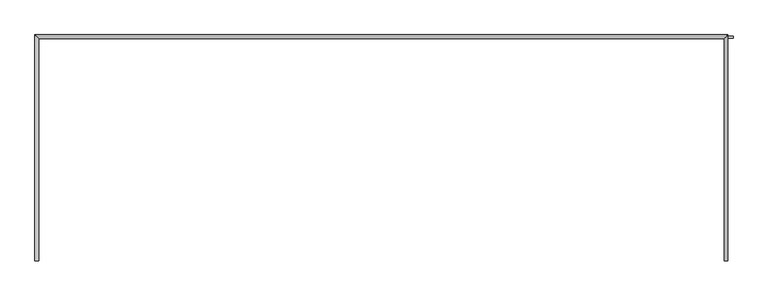
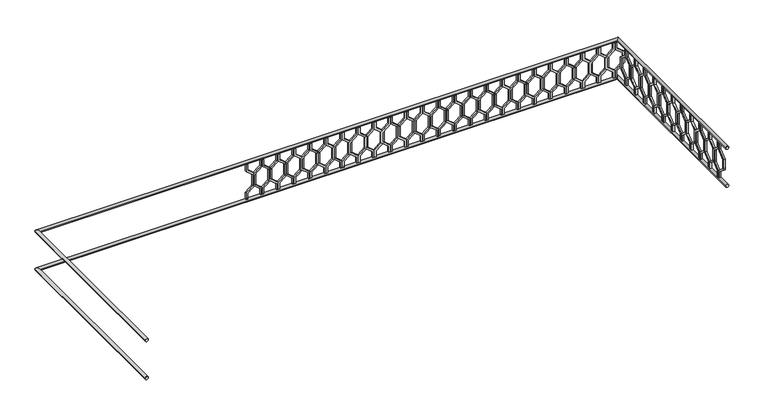
"""IFC4 building model written with IfcOpenShell, lengths in millimetres: railing geometry."""

from ifc_helpers import new_model, si_unit, frame, origin, place, context, project, spatial, polyline, circle_curve, ellipse_curve, outline, extrude, source, transform, mapped, element, save
from ifc_brep_helpers import plane_surface, cylinder_surface, advanced_brep


def railing_d88cfda0(model_context):
    return source(origin(), model_context, "Body", "SolidModel", [
        advanced_brep(
        [(42360.0112841, 903.1079487, 4980.0), (42320.0112841, 903.1079487, 4980.0), (42320.0112841, 3283.1079487, 4980.0), (42360.0112841, 3243.1079487, 4980.0), (49600.0112841, 3283.1079487, 4980.0), (49560.0112841, 3243.1079487, 4980.0), (49560.0112841, 903.1079487, 4980.0), (49600.0112841, 903.1079487, 4980.0)],
        [
            (0, 1, circle_curve(frame((42340.0112841, 903.1079487, 4980.0), z_axis=(0.0, -1.0, 0.0), x_axis=(-1.0, 0.0, 0.0)), 20.0)),
            (1, 0, circle_curve(frame((42340.0112841, 903.1079487, 4980.0), z_axis=(0.0, -1.0, 0.0), x_axis=(-1.0, 0.0, 0.0)), 20.0)),
            (1, 2),
            (2, 3, ellipse_curve(frame((42340.0112841, 3263.1079487, 4980.0), z_axis=(-0.7071067811865475, -0.7071067811865476, 0.0), x_axis=(0.7071067811865476, -0.7071067811865475, 0.0)), 28.2842712, 20.0)),
            (3, 0),
            (3, 2, ellipse_curve(frame((42340.0112841, 3263.1079487, 4980.0), z_axis=(-0.7071067811865475, -0.7071067811865476, 0.0), x_axis=(0.7071067811865476, -0.7071067811865475, 0.0)), 28.2842712, 20.0)),
            (2, 4),
            (4, 5, ellipse_curve(frame((49580.0112841, 3263.1079487, 4980.0), z_axis=(-0.7071067811865481, 0.7071067811865469, 0.0), x_axis=(-0.7071067811865469, -0.7071067811865481, 0.0)), 28.2842712, 20.0)),
            (5, 3),
            (5, 4, ellipse_curve(frame((49580.0112841, 3263.1079487, 4980.0), z_axis=(-0.7071067811865481, 0.7071067811865469, 0.0), x_axis=(-0.7071067811865469, -0.7071067811865481, 0.0)), 28.2842712, 20.0)),
            (6, 7, circle_curve(frame((49580.0112841, 903.1079487, 4980.0), z_axis=(0.0, -1.0, 0.0), x_axis=(1.0, 0.0, 0.0)), 20.0)),
            (7, 6, circle_curve(frame((49580.0112841, 903.1079487, 4980.0), z_axis=(0.0, -1.0, 0.0), x_axis=(1.0, 0.0, 0.0)), 20.0)),
            (4, 7),
            (6, 5),
        ],
        [
            plane_surface(frame((42340.0112841, 903.1079487, 5000.0), z_axis=(0.0, -1.0, 0.0), x_axis=(0.0, 0.0, 1.0))),
            cylinder_surface(frame((42340.0112841, 903.1079487, 4980.0), z_axis=(0.0, -1.0, 0.0), x_axis=(-1.0, 0.0, 0.0)), 20.0),
            cylinder_surface(frame((42340.0112841, 3263.1079487, 4980.0), z_axis=(-1.0, 0.0, 0.0), x_axis=(0.0, 1.0, 0.0)), 20.0),
            plane_surface(frame((49580.0112841, 903.1079487, 5000.0), z_axis=(0.0, -1.0, 0.0), x_axis=(0.0, 0.0, -1.0))),
            cylinder_surface(frame((49580.0112841, 3263.1079487, 4980.0), z_axis=(0.0, 1.0, 0.0), x_axis=(1.0, 0.0, 0.0)), 20.0),
        ],
        [
            (0, [[1, 2]]),
            (1, [[-2, 3, 4, 5]]),
            (1, [[-1, -5, 6, -3]]),
            (2, [[-4, 7, 8, 9]]),
            (2, [[-6, -9, 10, -7]]),
            (3, [[11, 12]]),
            (4, [[-8, 13, -11, 14]]),
            (4, [[-10, -14, -12, -13]]),
        ],
    ),
        advanced_brep(
        [(42360.0112841, 903.1079487, 4480.0), (42320.0112841, 903.1079487, 4480.0), (42320.0112841, 3283.1079487, 4480.0), (42360.0112841, 3243.1079487, 4480.0), (49600.0112841, 3283.1079487, 4480.0), (49560.0112841, 3243.1079487, 4480.0), (49560.0112841, 903.1079487, 4480.0), (49600.0112841, 903.1079487, 4480.0)],
        [
            (0, 1, circle_curve(frame((42340.0112841, 903.1079487, 4480.0), z_axis=(0.0, -1.0, 0.0), x_axis=(-1.0, 0.0, 0.0)), 20.0)),
            (1, 0, circle_curve(frame((42340.0112841, 903.1079487, 4480.0), z_axis=(0.0, -1.0, 0.0), x_axis=(-1.0, 0.0, 0.0)), 20.0)),
            (1, 2),
            (2, 3, ellipse_curve(frame((42340.0112841, 3263.1079487, 4480.0), z_axis=(-0.7071067811865475, -0.7071067811865476, 0.0), x_axis=(0.7071067811865476, -0.7071067811865475, 0.0)), 28.2842712, 20.0)),
            (3, 0),
            (3, 2, ellipse_curve(frame((42340.0112841, 3263.1079487, 4480.0), z_axis=(-0.7071067811865475, -0.7071067811865476, 0.0), x_axis=(0.7071067811865476, -0.7071067811865475, 0.0)), 28.2842712, 20.0)),
            (2, 4),
            (4, 5, ellipse_curve(frame((49580.0112841, 3263.1079487, 4480.0), z_axis=(-0.7071067811865481, 0.7071067811865469, 0.0), x_axis=(-0.7071067811865469, -0.7071067811865481, 0.0)), 28.2842712, 20.0)),
            (5, 3),
            (5, 4, ellipse_curve(frame((49580.0112841, 3263.1079487, 4480.0), z_axis=(-0.7071067811865481, 0.7071067811865469, 0.0), x_axis=(-0.7071067811865469, -0.7071067811865481, 0.0)), 28.2842712, 20.0)),
            (6, 7, circle_curve(frame((49580.0112841, 903.1079487, 4480.0), z_axis=(0.0, -1.0, 0.0), x_axis=(1.0, 0.0, 0.0)), 20.0)),
            (7, 6, circle_curve(frame((49580.0112841, 903.1079487, 4480.0), z_axis=(0.0, -1.0, 0.0), x_axis=(1.0, 0.0, 0.0)), 20.0)),
            (4, 7),
            (6, 5),
        ],
        [
            plane_surface(frame((42340.0112841, 903.1079487, 4500.0), z_axis=(0.0, -1.0, 0.0), x_axis=(0.0, 0.0, 1.0))),
            cylinder_surface(frame((42340.0112841, 903.1079487, 4480.0), z_axis=(0.0, -1.0, 0.0), x_axis=(-1.0, 0.0, 0.0)), 20.0),
            cylinder_surface(frame((42340.0112841, 3263.1079487, 4480.0), z_axis=(-1.0, 0.0, 0.0), x_axis=(0.0, 1.0, 0.0)), 20.0),
            plane_surface(frame((49580.0112841, 903.1079487, 4500.0), z_axis=(0.0, -1.0, 0.0), x_axis=(0.0, 0.0, -1.0))),
            cylinder_surface(frame((49580.0112841, 3263.1079487, 4480.0), z_axis=(0.0, 1.0, 0.0), x_axis=(1.0, 0.0, 0.0)), 20.0),
        ],
        [
            (0, [[1, 2]]),
            (1, [[-2, 3, 4, 5]]),
            (1, [[-1, -5, 6, -3]]),
            (2, [[-4, 7, 8, 9]]),
            (2, [[-6, -9, 10, -7]]),
            (3, [[11, 12]]),
            (4, [[-8, 13, -11, 14]]),
            (4, [[-10, -14, -12, -13]]),
        ],
    ),
        extrude(outline(polyline([(1068.1079487, 4960.0), (1068.1079487, 4870.448155), (969.1129993, 4790.448155), (969.1129993, 4669.551845), (1068.1079487, 4589.551845), (1068.1079487, 4500.0), (1048.1079487, 4500.0), (1048.1079487, 4580.0), (949.1129993, 4660.0), (949.1129993, 4800.0), (1048.1079487, 4880.0), (1048.1079487, 4960.0), (1068.1079487, 4960.0)])), frame((49565.0112841, 0.0, 0.0), z_axis=(1.0, 0.0, 0.0), x_axis=(0.0, 1.0, 0.0)), (0.0, 0.0, 1.0), 20.0),
        extrude(outline(polyline([(1068.1079487, 4960.0), (1088.1079487, 4960.0), (1088.1079487, 4880.0), (1187.102898, 4800.0), (1187.102898, 4660.0), (1088.1079487, 4580.0), (1088.1079487, 4500.0), (1068.1079487, 4500.0), (1068.1079487, 4589.551845), (1167.102898, 4669.551845), (1167.102898, 4790.448155), (1068.1079487, 4870.448155), (1068.1079487, 4960.0)])), frame((49565.0112841, 0.0, 0.0), z_axis=(1.0, 0.0, 0.0), x_axis=(0.0, 1.0, 0.0)), (0.0, 0.0, 1.0), 20.0),
        extrude(outline(polyline([(1268.1079487, 4960.0), (1268.1079487, 4870.448155), (1169.1129993, 4790.448155), (1169.1129993, 4669.551845), (1268.1079487, 4589.551845), (1268.1079487, 4500.0), (1248.1079487, 4500.0), (1248.1079487, 4580.0), (1149.1129993, 4660.0), (1149.1129993, 4800.0), (1248.1079487, 4880.0), (1248.1079487, 4960.0), (1268.1079487, 4960.0)])), frame((49565.0112841, 0.0, 0.0), z_axis=(1.0, 0.0, 0.0), x_axis=(0.0, 1.0, 0.0)), (0.0, 0.0, 1.0), 20.0),
        extrude(outline(polyline([(1268.1079487, 4960.0), (1288.1079487, 4960.0), (1288.1079487, 4880.0), (1387.102898, 4800.0), (1387.102898, 4660.0), (1288.1079487, 4580.0), (1288.1079487, 4500.0), (1268.1079487, 4500.0), (1268.1079487, 4589.551845), (1367.102898, 4669.551845), (1367.102898, 4790.448155), (1268.1079487, 4870.448155), (1268.1079487, 4960.0)])), frame((49565.0112841, 0.0, 0.0), z_axis=(1.0, 0.0, 0.0), x_axis=(0.0, 1.0, 0.0)), (0.0, 0.0, 1.0), 20.0),
        extrude(outline(polyline([(1468.1079487, 4960.0), (1468.1079487, 4870.448155), (1369.1129993, 4790.448155), (1369.1129993, 4669.551845), (1468.1079487, 4589.551845), (1468.1079487, 4500.0), (1448.1079487, 4500.0), (1448.1079487, 4580.0), (1349.1129993, 4660.0), (1349.1129993, 4800.0), (1448.1079487, 4880.0), (1448.1079487, 4960.0), (1468.1079487, 4960.0)])), frame((49565.0112841, 0.0, 0.0), z_axis=(1.0, 0.0, 0.0), x_axis=(0.0, 1.0, 0.0)), (0.0, 0.0, 1.0), 20.0),
        extrude(outline(polyline([(1468.1079487, 4960.0), (1488.1079487, 4960.0), (1488.1079487, 4880.0), (1587.102898, 4800.0), (1587.102898, 4660.0), (1488.1079487, 4580.0), (1488.1079487, 4500.0), (1468.1079487, 4500.0), (1468.1079487, 4589.551845), (1567.102898, 4669.551845), (1567.102898, 4790.448155), (1468.1079487, 4870.448155), (1468.1079487, 4960.0)])), frame((49565.0112841, 0.0, 0.0), z_axis=(1.0, 0.0, 0.0), x_axis=(0.0, 1.0, 0.0)), (0.0, 0.0, 1.0), 20.0),
        extrude(outline(polyline([(1668.1079487, 4960.0), (1668.1079487, 4870.448155), (1569.1129993, 4790.448155), (1569.1129993, 4669.551845), (1668.1079487, 4589.551845), (1668.1079487, 4500.0), (1648.1079487, 4500.0), (1648.1079487, 4580.0), (1549.1129993, 4660.0), (1549.1129993, 4800.0), (1648.1079487, 4880.0), (1648.1079487, 4960.0), (1668.1079487, 4960.0)])), frame((49565.0112841, 0.0, 0.0), z_axis=(1.0, 0.0, 0.0), x_axis=(0.0, 1.0, 0.0)), (0.0, 0.0, 1.0), 20.0),
        extrude(outline(polyline([(1668.1079487, 4960.0), (1688.1079487, 4960.0), (1688.1079487, 4880.0), (1787.102898, 4800.0), (1787.102898, 4660.0), (1688.1079487, 4580.0), (1688.1079487, 4500.0), (1668.1079487, 4500.0), (1668.1079487, 4589.551845), (1767.102898, 4669.551845), (1767.102898, 4790.448155), (1668.1079487, 4870.448155), (1668.1079487, 4960.0)])), frame((49565.0112841, 0.0, 0.0), z_axis=(1.0, 0.0, 0.0), x_axis=(0.0, 1.0, 0.0)), (0.0, 0.0, 1.0), 20.0),
        extrude(outline(polyline([(1868.1079487, 4960.0), (1868.1079487, 4870.448155), (1769.1129993, 4790.448155), (1769.1129993, 4669.551845), (1868.1079487, 4589.551845), (1868.1079487, 4500.0), (1848.1079487, 4500.0), (1848.1079487, 4580.0), (1749.1129993, 4660.0), (1749.1129993, 4800.0), (1848.1079487, 4880.0), (1848.1079487, 4960.0), (1868.1079487, 4960.0)])), frame((49565.0112841, 0.0, 0.0), z_axis=(1.0, 0.0, 0.0), x_axis=(0.0, 1.0, 0.0)), (0.0, 0.0, 1.0), 20.0),
        extrude(outline(polyline([(1868.1079487, 4960.0), (1888.1079487, 4960.0), (1888.1079487, 4880.0), (1987.102898, 4800.0), (1987.102898, 4660.0), (1888.1079487, 4580.0), (1888.1079487, 4500.0), (1868.1079487, 4500.0), (1868.1079487, 4589.551845), (1967.102898, 4669.551845), (1967.102898, 4790.448155), (1868.1079487, 4870.448155), (1868.1079487, 4960.0)])), frame((49565.0112841, 0.0, 0.0), z_axis=(1.0, 0.0, 0.0), x_axis=(0.0, 1.0, 0.0)), (0.0, 0.0, 1.0), 20.0),
        extrude(outline(polyline([(2068.1079487, 4960.0), (2068.1079487, 4870.448155), (1969.1129993, 4790.448155), (1969.1129993, 4669.551845), (2068.1079487, 4589.551845), (2068.1079487, 4500.0), (2048.1079487, 4500.0), (2048.1079487, 4580.0), (1949.1129993, 4660.0), (1949.1129993, 4800.0), (2048.1079487, 4880.0), (2048.1079487, 4960.0), (2068.1079487, 4960.0)])), frame((49565.0112841, 0.0, 0.0), z_axis=(1.0, 0.0, 0.0), x_axis=(0.0, 1.0, 0.0)), (0.0, 0.0, 1.0), 20.0),
        extrude(outline(polyline([(2068.1079487, 4960.0), (2088.1079487, 4960.0), (2088.1079487, 4880.0), (2187.102898, 4800.0), (2187.102898, 4660.0), (2088.1079487, 4580.0), (2088.1079487, 4500.0), (2068.1079487, 4500.0), (2068.1079487, 4589.551845), (2167.102898, 4669.551845), (2167.102898, 4790.448155), (2068.1079487, 4870.448155), (2068.1079487, 4960.0)])), frame((49565.0112841, 0.0, 0.0), z_axis=(1.0, 0.0, 0.0), x_axis=(0.0, 1.0, 0.0)), (0.0, 0.0, 1.0), 20.0),
        extrude(outline(polyline([(2268.1079487, 4960.0), (2268.1079487, 4870.448155), (2169.1129993, 4790.448155), (2169.1129993, 4669.551845), (2268.1079487, 4589.551845), (2268.1079487, 4500.0), (2248.1079487, 4500.0), (2248.1079487, 4580.0), (2149.1129993, 4660.0), (2149.1129993, 4800.0), (2248.1079487, 4880.0), (2248.1079487, 4960.0), (2268.1079487, 4960.0)])), frame((49565.0112841, 0.0, 0.0), z_axis=(1.0, 0.0, 0.0), x_axis=(0.0, 1.0, 0.0)), (0.0, 0.0, 1.0), 20.0),
        extrude(outline(polyline([(2268.1079487, 4960.0), (2288.1079487, 4960.0), (2288.1079487, 4880.0), (2387.102898, 4800.0), (2387.102898, 4660.0), (2288.1079487, 4580.0), (2288.1079487, 4500.0), (2268.1079487, 4500.0), (2268.1079487, 4589.551845), (2367.102898, 4669.551845), (2367.102898, 4790.448155), (2268.1079487, 4870.448155), (2268.1079487, 4960.0)])), frame((49565.0112841, 0.0, 0.0), z_axis=(1.0, 0.0, 0.0), x_axis=(0.0, 1.0, 0.0)), (0.0, 0.0, 1.0), 20.0),
        extrude(outline(polyline([(2468.1079487, 4960.0), (2468.1079487, 4870.448155), (2369.1129993, 4790.448155), (2369.1129993, 4669.551845), (2468.1079487, 4589.551845), (2468.1079487, 4500.0), (2448.1079487, 4500.0), (2448.1079487, 4580.0), (2349.1129993, 4660.0), (2349.1129993, 4800.0), (2448.1079487, 4880.0), (2448.1079487, 4960.0), (2468.1079487, 4960.0)])), frame((49565.0112841, 0.0, 0.0), z_axis=(1.0, 0.0, 0.0), x_axis=(0.0, 1.0, 0.0)), (0.0, 0.0, 1.0), 20.0),
        extrude(outline(polyline([(2468.1079487, 4960.0), (2488.1079487, 4960.0), (2488.1079487, 4880.0), (2587.102898, 4800.0), (2587.102898, 4660.0), (2488.1079487, 4580.0), (2488.1079487, 4500.0), (2468.1079487, 4500.0), (2468.1079487, 4589.551845), (2567.102898, 4669.551845), (2567.102898, 4790.448155), (2468.1079487, 4870.448155), (2468.1079487, 4960.0)])), frame((49565.0112841, 0.0, 0.0), z_axis=(1.0, 0.0, 0.0), x_axis=(0.0, 1.0, 0.0)), (0.0, 0.0, 1.0), 20.0),
        extrude(outline(polyline([(2668.1079487, 4960.0), (2668.1079487, 4870.448155), (2569.1129993, 4790.448155), (2569.1129993, 4669.551845), (2668.1079487, 4589.551845), (2668.1079487, 4500.0), (2648.1079487, 4500.0), (2648.1079487, 4580.0), (2549.1129993, 4660.0), (2549.1129993, 4800.0), (2648.1079487, 4880.0), (2648.1079487, 4960.0), (2668.1079487, 4960.0)])), frame((49565.0112841, 0.0, 0.0), z_axis=(1.0, 0.0, 0.0), x_axis=(0.0, 1.0, 0.0)), (0.0, 0.0, 1.0), 20.0),
        extrude(outline(polyline([(2668.1079487, 4960.0), (2688.1079487, 4960.0), (2688.1079487, 4880.0), (2787.102898, 4800.0), (2787.102898, 4660.0), (2688.1079487, 4580.0), (2688.1079487, 4500.0), (2668.1079487, 4500.0), (2668.1079487, 4589.551845), (2767.102898, 4669.551845), (2767.102898, 4790.448155), (2668.1079487, 4870.448155), (2668.1079487, 4960.0)])), frame((49565.0112841, 0.0, 0.0), z_axis=(1.0, 0.0, 0.0), x_axis=(0.0, 1.0, 0.0)), (0.0, 0.0, 1.0), 20.0),
        extrude(outline(polyline([(2868.1079487, 4960.0), (2868.1079487, 4870.448155), (2769.1129993, 4790.448155), (2769.1129993, 4669.551845), (2868.1079487, 4589.551845), (2868.1079487, 4500.0), (2848.1079487, 4500.0), (2848.1079487, 4580.0), (2749.1129993, 4660.0), (2749.1129993, 4800.0), (2848.1079487, 4880.0), (2848.1079487, 4960.0), (2868.1079487, 4960.0)])), frame((49565.0112841, 0.0, 0.0), z_axis=(1.0, 0.0, 0.0), x_axis=(0.0, 1.0, 0.0)), (0.0, 0.0, 1.0), 20.0),
        extrude(outline(polyline([(2868.1079487, 4960.0), (2888.1079487, 4960.0), (2888.1079487, 4880.0), (2987.102898, 4800.0), (2987.102898, 4660.0), (2888.1079487, 4580.0), (2888.1079487, 4500.0), (2868.1079487, 4500.0), (2868.1079487, 4589.551845), (2967.102898, 4669.551845), (2967.102898, 4790.448155), (2868.1079487, 4870.448155), (2868.1079487, 4960.0)])), frame((49565.0112841, 0.0, 0.0), z_axis=(1.0, 0.0, 0.0), x_axis=(0.0, 1.0, 0.0)), (0.0, 0.0, 1.0), 20.0),
        extrude(outline(polyline([(3068.1079487, 4960.0), (3068.1079487, 4870.448155), (2969.1129993, 4790.448155), (2969.1129993, 4669.551845), (3068.1079487, 4589.551845), (3068.1079487, 4500.0), (3048.1079487, 4500.0), (3048.1079487, 4580.0), (2949.1129993, 4660.0), (2949.1129993, 4800.0), (3048.1079487, 4880.0), (3048.1079487, 4960.0), (3068.1079487, 4960.0)])), frame((49565.0112841, 0.0, 0.0), z_axis=(1.0, 0.0, 0.0), x_axis=(0.0, 1.0, 0.0)), (0.0, 0.0, 1.0), 20.0),
        extrude(outline(polyline([(3068.1079487, 4960.0), (3088.1079487, 4960.0), (3088.1079487, 4880.0), (3187.102898, 4800.0), (3187.102898, 4660.0), (3088.1079487, 4580.0), (3088.1079487, 4500.0), (3068.1079487, 4500.0), (3068.1079487, 4589.551845), (3167.102898, 4669.551845), (3167.102898, 4790.448155), (3068.1079487, 4870.448155), (3068.1079487, 4960.0)])), frame((49565.0112841, 0.0, 0.0), z_axis=(1.0, 0.0, 0.0), x_axis=(0.0, 1.0, 0.0)), (0.0, 0.0, 1.0), 20.0),
        extrude(outline(polyline([(4960.0, 49535.0112841), (4870.448155, 49535.0112841), (4790.448155, 49634.0062335), (4669.551845, 49634.0062335), (4589.551845, 49535.0112841), (4500.0, 49535.0112841), (4500.0, 49555.0112841), (4580.0, 49555.0112841), (4660.0, 49654.0062335), (4800.0, 49654.0062335), (4880.0, 49555.0112841), (4960.0, 49555.0112841), (4960.0, 49535.0112841)])), frame((0.0, 3248.1079487, 0.0), z_axis=(0.0, 1.0, 0.0), x_axis=(0.0, 0.0, 1.0)), (0.0, 0.0, 1.0), 20.0),
        extrude(outline(polyline([(4960.0, 49535.0112841), (4960.0, 49515.0112841), (4880.0, 49515.0112841), (4800.0, 49416.0163347), (4660.0, 49416.0163347), (4580.0, 49515.0112841), (4500.0, 49515.0112841), (4500.0, 49535.0112841), (4589.551845, 49535.0112841), (4669.551845, 49436.0163347), (4790.448155, 49436.0163347), (4870.448155, 49535.0112841), (4960.0, 49535.0112841)])), frame((0.0, 3248.1079487, 0.0), z_axis=(0.0, 1.0, 0.0), x_axis=(0.0, 0.0, 1.0)), (0.0, 0.0, 1.0), 20.0),
        extrude(outline(polyline([(4960.0, 49335.0112841), (4870.448155, 49335.0112841), (4790.448155, 49434.0062335), (4669.551845, 49434.0062335), (4589.551845, 49335.0112841), (4500.0, 49335.0112841), (4500.0, 49355.0112841), (4580.0, 49355.0112841), (4660.0, 49454.0062335), (4800.0, 49454.0062335), (4880.0, 49355.0112841), (4960.0, 49355.0112841), (4960.0, 49335.0112841)])), frame((0.0, 3248.1079487, 0.0), z_axis=(0.0, 1.0, 0.0), x_axis=(0.0, 0.0, 1.0)), (0.0, 0.0, 1.0), 20.0),
        extrude(outline(polyline([(4960.0, 49335.0112841), (4960.0, 49315.0112841), (4880.0, 49315.0112841), (4800.0, 49216.0163347), (4660.0, 49216.0163347), (4580.0, 49315.0112841), (4500.0, 49315.0112841), (4500.0, 49335.0112841), (4589.551845, 49335.0112841), (4669.551845, 49236.0163347), (4790.448155, 49236.0163347), (4870.448155, 49335.0112841), (4960.0, 49335.0112841)])), frame((0.0, 3248.1079487, 0.0), z_axis=(0.0, 1.0, 0.0), x_axis=(0.0, 0.0, 1.0)), (0.0, 0.0, 1.0), 20.0),
        extrude(outline(polyline([(4960.0, 49135.0112841), (4870.448155, 49135.0112841), (4790.448155, 49234.0062335), (4669.551845, 49234.0062335), (4589.551845, 49135.0112841), (4500.0, 49135.0112841), (4500.0, 49155.0112841), (4580.0, 49155.0112841), (4660.0, 49254.0062335), (4800.0, 49254.0062335), (4880.0, 49155.0112841), (4960.0, 49155.0112841), (4960.0, 49135.0112841)])), frame((0.0, 3248.1079487, 0.0), z_axis=(0.0, 1.0, 0.0), x_axis=(0.0, 0.0, 1.0)), (0.0, 0.0, 1.0), 20.0),
        extrude(outline(polyline([(4960.0, 49135.0112841), (4960.0, 49115.0112841), (4880.0, 49115.0112841), (4800.0, 49016.0163347), (4660.0, 49016.0163347), (4580.0, 49115.0112841), (4500.0, 49115.0112841), (4500.0, 49135.0112841), (4589.551845, 49135.0112841), (4669.551845, 49036.0163347), (4790.448155, 49036.0163347), (4870.448155, 49135.0112841), (4960.0, 49135.0112841)])), frame((0.0, 3248.1079487, 0.0), z_axis=(0.0, 1.0, 0.0), x_axis=(0.0, 0.0, 1.0)), (0.0, 0.0, 1.0), 20.0),
        extrude(outline(polyline([(4960.0, 48935.0112841), (4870.448155, 48935.0112841), (4790.448155, 49034.0062335), (4669.551845, 49034.0062335), (4589.551845, 48935.0112841), (4500.0, 48935.0112841), (4500.0, 48955.0112841), (4580.0, 48955.0112841), (4660.0, 49054.0062335), (4800.0, 49054.0062335), (4880.0, 48955.0112841), (4960.0, 48955.0112841), (4960.0, 48935.0112841)])), frame((0.0, 3248.1079487, 0.0), z_axis=(0.0, 1.0, 0.0), x_axis=(0.0, 0.0, 1.0)), (0.0, 0.0, 1.0), 20.0),
        extrude(outline(polyline([(4960.0, 48935.0112841), (4960.0, 48915.0112841), (4880.0, 48915.0112841), (4800.0, 48816.0163347), (4660.0, 48816.0163347), (4580.0, 48915.0112841), (4500.0, 48915.0112841), (4500.0, 48935.0112841), (4589.551845, 48935.0112841), (4669.551845, 48836.0163347), (4790.448155, 48836.0163347), (4870.448155, 48935.0112841), (4960.0, 48935.0112841)])), frame((0.0, 3248.1079487, 0.0), z_axis=(0.0, 1.0, 0.0), x_axis=(0.0, 0.0, 1.0)), (0.0, 0.0, 1.0), 20.0),
        extrude(outline(polyline([(4960.0, 48735.0112841), (4870.448155, 48735.0112841), (4790.448155, 48834.0062335), (4669.551845, 48834.0062335), (4589.551845, 48735.0112841), (4500.0, 48735.0112841), (4500.0, 48755.0112841), (4580.0, 48755.0112841), (4660.0, 48854.0062335), (4800.0, 48854.0062335), (4880.0, 48755.0112841), (4960.0, 48755.0112841), (4960.0, 48735.0112841)])), frame((0.0, 3248.1079487, 0.0), z_axis=(0.0, 1.0, 0.0), x_axis=(0.0, 0.0, 1.0)), (0.0, 0.0, 1.0), 20.0),
        extrude(outline(polyline([(4960.0, 48735.0112841), (4960.0, 48715.0112841), (4880.0, 48715.0112841), (4800.0, 48616.0163347), (4660.0, 48616.0163347), (4580.0, 48715.0112841), (4500.0, 48715.0112841), (4500.0, 48735.0112841), (4589.551845, 48735.0112841), (4669.551845, 48636.0163347), (4790.448155, 48636.0163347), (4870.448155, 48735.0112841), (4960.0, 48735.0112841)])), frame((0.0, 3248.1079487, 0.0), z_axis=(0.0, 1.0, 0.0), x_axis=(0.0, 0.0, 1.0)), (0.0, 0.0, 1.0), 20.0),
        extrude(outline(polyline([(4960.0, 48535.0112841), (4870.448155, 48535.0112841), (4790.448155, 48634.0062335), (4669.551845, 48634.0062335), (4589.551845, 48535.0112841), (4500.0, 48535.0112841), (4500.0, 48555.0112841), (4580.0, 48555.0112841), (4660.0, 48654.0062335), (4800.0, 48654.0062335), (4880.0, 48555.0112841), (4960.0, 48555.0112841), (4960.0, 48535.0112841)])), frame((0.0, 3248.1079487, 0.0), z_axis=(0.0, 1.0, 0.0), x_axis=(0.0, 0.0, 1.0)), (0.0, 0.0, 1.0), 20.0),
        extrude(outline(polyline([(4960.0, 48535.0112841), (4960.0, 48515.0112841), (4880.0, 48515.0112841), (4800.0, 48416.0163347), (4660.0, 48416.0163347), (4580.0, 48515.0112841), (4500.0, 48515.0112841), (4500.0, 48535.0112841), (4589.551845, 48535.0112841), (4669.551845, 48436.0163347), (4790.448155, 48436.0163347), (4870.448155, 48535.0112841), (4960.0, 48535.0112841)])), frame((0.0, 3248.1079487, 0.0), z_axis=(0.0, 1.0, 0.0), x_axis=(0.0, 0.0, 1.0)), (0.0, 0.0, 1.0), 20.0),
        extrude(outline(polyline([(4960.0, 48335.0112841), (4870.448155, 48335.0112841), (4790.448155, 48434.0062335), (4669.551845, 48434.0062335), (4589.551845, 48335.0112841), (4500.0, 48335.0112841), (4500.0, 48355.0112841), (4580.0, 48355.0112841), (4660.0, 48454.0062335), (4800.0, 48454.0062335), (4880.0, 48355.0112841), (4960.0, 48355.0112841), (4960.0, 48335.0112841)])), frame((0.0, 3248.1079487, 0.0), z_axis=(0.0, 1.0, 0.0), x_axis=(0.0, 0.0, 1.0)), (0.0, 0.0, 1.0), 20.0),
        extrude(outline(polyline([(4960.0, 48335.0112841), (4960.0, 48315.0112841), (4880.0, 48315.0112841), (4800.0, 48216.0163347), (4660.0, 48216.0163347), (4580.0, 48315.0112841), (4500.0, 48315.0112841), (4500.0, 48335.0112841), (4589.551845, 48335.0112841), (4669.551845, 48236.0163347), (4790.448155, 48236.0163347), (4870.448155, 48335.0112841), (4960.0, 48335.0112841)])), frame((0.0, 3248.1079487, 0.0), z_axis=(0.0, 1.0, 0.0), x_axis=(0.0, 0.0, 1.0)), (0.0, 0.0, 1.0), 20.0),
        extrude(outline(polyline([(4960.0, 48135.0112841), (4870.448155, 48135.0112841), (4790.448155, 48234.0062335), (4669.551845, 48234.0062335), (4589.551845, 48135.0112841), (4500.0, 48135.0112841), (4500.0, 48155.0112841), (4580.0, 48155.0112841), (4660.0, 48254.0062335), (4800.0, 48254.0062335), (4880.0, 48155.0112841), (4960.0, 48155.0112841), (4960.0, 48135.0112841)])), frame((0.0, 3248.1079487, 0.0), z_axis=(0.0, 1.0, 0.0), x_axis=(0.0, 0.0, 1.0)), (0.0, 0.0, 1.0), 20.0),
        extrude(outline(polyline([(4960.0, 48135.0112841), (4960.0, 48115.0112841), (4880.0, 48115.0112841), (4800.0, 48016.0163347), (4660.0, 48016.0163347), (4580.0, 48115.0112841), (4500.0, 48115.0112841), (4500.0, 48135.0112841), (4589.551845, 48135.0112841), (4669.551845, 48036.0163347), (4790.448155, 48036.0163347), (4870.448155, 48135.0112841), (4960.0, 48135.0112841)])), frame((0.0, 3248.1079487, 0.0), z_axis=(0.0, 1.0, 0.0), x_axis=(0.0, 0.0, 1.0)), (0.0, 0.0, 1.0), 20.0),
        extrude(outline(polyline([(4960.0, 47935.0112841), (4870.448155, 47935.0112841), (4790.448155, 48034.0062335), (4669.551845, 48034.0062335), (4589.551845, 47935.0112841), (4500.0, 47935.0112841), (4500.0, 47955.0112841), (4580.0, 47955.0112841), (4660.0, 48054.0062335), (4800.0, 48054.0062335), (4880.0, 47955.0112841), (4960.0, 47955.0112841), (4960.0, 47935.0112841)])), frame((0.0, 3248.1079487, 0.0), z_axis=(0.0, 1.0, 0.0), x_axis=(0.0, 0.0, 1.0)), (0.0, 0.0, 1.0), 20.0),
        extrude(outline(polyline([(4960.0, 47935.0112841), (4960.0, 47915.0112841), (4880.0, 47915.0112841), (4800.0, 47816.0163347), (4660.0, 47816.0163347), (4580.0, 47915.0112841), (4500.0, 47915.0112841), (4500.0, 47935.0112841), (4589.551845, 47935.0112841), (4669.551845, 47836.0163347), (4790.448155, 47836.0163347), (4870.448155, 47935.0112841), (4960.0, 47935.0112841)])), frame((0.0, 3248.1079487, 0.0), z_axis=(0.0, 1.0, 0.0), x_axis=(0.0, 0.0, 1.0)), (0.0, 0.0, 1.0), 20.0),
        extrude(outline(polyline([(4960.0, 47735.0112841), (4870.448155, 47735.0112841), (4790.448155, 47834.0062335), (4669.551845, 47834.0062335), (4589.551845, 47735.0112841), (4500.0, 47735.0112841), (4500.0, 47755.0112841), (4580.0, 47755.0112841), (4660.0, 47854.0062335), (4800.0, 47854.0062335), (4880.0, 47755.0112841), (4960.0, 47755.0112841), (4960.0, 47735.0112841)])), frame((0.0, 3248.1079487, 0.0), z_axis=(0.0, 1.0, 0.0), x_axis=(0.0, 0.0, 1.0)), (0.0, 0.0, 1.0), 20.0),
        extrude(outline(polyline([(4960.0, 47735.0112841), (4960.0, 47715.0112841), (4880.0, 47715.0112841), (4800.0, 47616.0163347), (4660.0, 47616.0163347), (4580.0, 47715.0112841), (4500.0, 47715.0112841), (4500.0, 47735.0112841), (4589.551845, 47735.0112841), (4669.551845, 47636.0163347), (4790.448155, 47636.0163347), (4870.448155, 47735.0112841), (4960.0, 47735.0112841)])), frame((0.0, 3248.1079487, 0.0), z_axis=(0.0, 1.0, 0.0), x_axis=(0.0, 0.0, 1.0)), (0.0, 0.0, 1.0), 20.0),
        extrude(outline(polyline([(4960.0, 47535.0112841), (4870.448155, 47535.0112841), (4790.448155, 47634.0062335), (4669.551845, 47634.0062335), (4589.551845, 47535.0112841), (4500.0, 47535.0112841), (4500.0, 47555.0112841), (4580.0, 47555.0112841), (4660.0, 47654.0062335), (4800.0, 47654.0062335), (4880.0, 47555.0112841), (4960.0, 47555.0112841), (4960.0, 47535.0112841)])), frame((0.0, 3248.1079487, 0.0), z_axis=(0.0, 1.0, 0.0), x_axis=(0.0, 0.0, 1.0)), (0.0, 0.0, 1.0), 20.0),
        extrude(outline(polyline([(4960.0, 47535.0112841), (4960.0, 47515.0112841), (4880.0, 47515.0112841), (4800.0, 47416.0163347), (4660.0, 47416.0163347), (4580.0, 47515.0112841), (4500.0, 47515.0112841), (4500.0, 47535.0112841), (4589.551845, 47535.0112841), (4669.551845, 47436.0163347), (4790.448155, 47436.0163347), (4870.448155, 47535.0112841), (4960.0, 47535.0112841)])), frame((0.0, 3248.1079487, 0.0), z_axis=(0.0, 1.0, 0.0), x_axis=(0.0, 0.0, 1.0)), (0.0, 0.0, 1.0), 20.0),
        extrude(outline(polyline([(4960.0, 47335.0112841), (4870.448155, 47335.0112841), (4790.448155, 47434.0062335), (4669.551845, 47434.0062335), (4589.551845, 47335.0112841), (4500.0, 47335.0112841), (4500.0, 47355.0112841), (4580.0, 47355.0112841), (4660.0, 47454.0062335), (4800.0, 47454.0062335), (4880.0, 47355.0112841), (4960.0, 47355.0112841), (4960.0, 47335.0112841)])), frame((0.0, 3248.1079487, 0.0), z_axis=(0.0, 1.0, 0.0), x_axis=(0.0, 0.0, 1.0)), (0.0, 0.0, 1.0), 20.0),
        extrude(outline(polyline([(4960.0, 47335.0112841), (4960.0, 47315.0112841), (4880.0, 47315.0112841), (4800.0, 47216.0163347), (4660.0, 47216.0163347), (4580.0, 47315.0112841), (4500.0, 47315.0112841), (4500.0, 47335.0112841), (4589.551845, 47335.0112841), (4669.551845, 47236.0163347), (4790.448155, 47236.0163347), (4870.448155, 47335.0112841), (4960.0, 47335.0112841)])), frame((0.0, 3248.1079487, 0.0), z_axis=(0.0, 1.0, 0.0), x_axis=(0.0, 0.0, 1.0)), (0.0, 0.0, 1.0), 20.0),
        extrude(outline(polyline([(4960.0, 47135.0112841), (4870.448155, 47135.0112841), (4790.448155, 47234.0062335), (4669.551845, 47234.0062335), (4589.551845, 47135.0112841), (4500.0, 47135.0112841), (4500.0, 47155.0112841), (4580.0, 47155.0112841), (4660.0, 47254.0062335), (4800.0, 47254.0062335), (4880.0, 47155.0112841), (4960.0, 47155.0112841), (4960.0, 47135.0112841)])), frame((0.0, 3248.1079487, 0.0), z_axis=(0.0, 1.0, 0.0), x_axis=(0.0, 0.0, 1.0)), (0.0, 0.0, 1.0), 20.0),
        extrude(outline(polyline([(4960.0, 47135.0112841), (4960.0, 47115.0112841), (4880.0, 47115.0112841), (4800.0, 47016.0163347), (4660.0, 47016.0163347), (4580.0, 47115.0112841), (4500.0, 47115.0112841), (4500.0, 47135.0112841), (4589.551845, 47135.0112841), (4669.551845, 47036.0163347), (4790.448155, 47036.0163347), (4870.448155, 47135.0112841), (4960.0, 47135.0112841)])), frame((0.0, 3248.1079487, 0.0), z_axis=(0.0, 1.0, 0.0), x_axis=(0.0, 0.0, 1.0)), (0.0, 0.0, 1.0), 20.0),
        extrude(outline(polyline([(4960.0, 46935.0112841), (4870.448155, 46935.0112841), (4790.448155, 47034.0062335), (4669.551845, 47034.0062335), (4589.551845, 46935.0112841), (4500.0, 46935.0112841), (4500.0, 46955.0112841), (4580.0, 46955.0112841), (4660.0, 47054.0062335), (4800.0, 47054.0062335), (4880.0, 46955.0112841), (4960.0, 46955.0112841), (4960.0, 46935.0112841)])), frame((0.0, 3248.1079487, 0.0), z_axis=(0.0, 1.0, 0.0), x_axis=(0.0, 0.0, 1.0)), (0.0, 0.0, 1.0), 20.0),
        extrude(outline(polyline([(4960.0, 46935.0112841), (4960.0, 46915.0112841), (4880.0, 46915.0112841), (4800.0, 46816.0163347), (4660.0, 46816.0163347), (4580.0, 46915.0112841), (4500.0, 46915.0112841), (4500.0, 46935.0112841), (4589.551845, 46935.0112841), (4669.551845, 46836.0163347), (4790.448155, 46836.0163347), (4870.448155, 46935.0112841), (4960.0, 46935.0112841)])), frame((0.0, 3248.1079487, 0.0), z_axis=(0.0, 1.0, 0.0), x_axis=(0.0, 0.0, 1.0)), (0.0, 0.0, 1.0), 20.0),
        extrude(outline(polyline([(4960.0, 46735.0112841), (4870.448155, 46735.0112841), (4790.448155, 46834.0062335), (4669.551845, 46834.0062335), (4589.551845, 46735.0112841), (4500.0, 46735.0112841), (4500.0, 46755.0112841), (4580.0, 46755.0112841), (4660.0, 46854.0062335), (4800.0, 46854.0062335), (4880.0, 46755.0112841), (4960.0, 46755.0112841), (4960.0, 46735.0112841)])), frame((0.0, 3248.1079487, 0.0), z_axis=(0.0, 1.0, 0.0), x_axis=(0.0, 0.0, 1.0)), (0.0, 0.0, 1.0), 20.0),
        extrude(outline(polyline([(4960.0, 46735.0112841), (4960.0, 46715.0112841), (4880.0, 46715.0112841), (4800.0, 46616.0163347), (4660.0, 46616.0163347), (4580.0, 46715.0112841), (4500.0, 46715.0112841), (4500.0, 46735.0112841), (4589.551845, 46735.0112841), (4669.551845, 46636.0163347), (4790.448155, 46636.0163347), (4870.448155, 46735.0112841), (4960.0, 46735.0112841)])), frame((0.0, 3248.1079487, 0.0), z_axis=(0.0, 1.0, 0.0), x_axis=(0.0, 0.0, 1.0)), (0.0, 0.0, 1.0), 20.0),
        extrude(outline(polyline([(4960.0, 46535.0112841), (4870.448155, 46535.0112841), (4790.448155, 46634.0062335), (4669.551845, 46634.0062335), (4589.551845, 46535.0112841), (4500.0, 46535.0112841), (4500.0, 46555.0112841), (4580.0, 46555.0112841), (4660.0, 46654.0062335), (4800.0, 46654.0062335), (4880.0, 46555.0112841), (4960.0, 46555.0112841), (4960.0, 46535.0112841)])), frame((0.0, 3248.1079487, 0.0), z_axis=(0.0, 1.0, 0.0), x_axis=(0.0, 0.0, 1.0)), (0.0, 0.0, 1.0), 20.0),
        extrude(outline(polyline([(4960.0, 46535.0112841), (4960.0, 46515.0112841), (4880.0, 46515.0112841), (4800.0, 46416.0163347), (4660.0, 46416.0163347), (4580.0, 46515.0112841), (4500.0, 46515.0112841), (4500.0, 46535.0112841), (4589.551845, 46535.0112841), (4669.551845, 46436.0163347), (4790.448155, 46436.0163347), (4870.448155, 46535.0112841), (4960.0, 46535.0112841)])), frame((0.0, 3248.1079487, 0.0), z_axis=(0.0, 1.0, 0.0), x_axis=(0.0, 0.0, 1.0)), (0.0, 0.0, 1.0), 20.0),
        extrude(outline(polyline([(4960.0, 46335.0112841), (4870.448155, 46335.0112841), (4790.448155, 46434.0062335), (4669.551845, 46434.0062335), (4589.551845, 46335.0112841), (4500.0, 46335.0112841), (4500.0, 46355.0112841), (4580.0, 46355.0112841), (4660.0, 46454.0062335), (4800.0, 46454.0062335), (4880.0, 46355.0112841), (4960.0, 46355.0112841), (4960.0, 46335.0112841)])), frame((0.0, 3248.1079487, 0.0), z_axis=(0.0, 1.0, 0.0), x_axis=(0.0, 0.0, 1.0)), (0.0, 0.0, 1.0), 20.0),
        extrude(outline(polyline([(4960.0, 46335.0112841), (4960.0, 46315.0112841), (4880.0, 46315.0112841), (4800.0, 46216.0163347), (4660.0, 46216.0163347), (4580.0, 46315.0112841), (4500.0, 46315.0112841), (4500.0, 46335.0112841), (4589.551845, 46335.0112841), (4669.551845, 46236.0163347), (4790.448155, 46236.0163347), (4870.448155, 46335.0112841), (4960.0, 46335.0112841)])), frame((0.0, 3248.1079487, 0.0), z_axis=(0.0, 1.0, 0.0), x_axis=(0.0, 0.0, 1.0)), (0.0, 0.0, 1.0), 20.0),
        extrude(outline(polyline([(4960.0, 46135.0112841), (4870.448155, 46135.0112841), (4790.448155, 46234.0062335), (4669.551845, 46234.0062335), (4589.551845, 46135.0112841), (4500.0, 46135.0112841), (4500.0, 46155.0112841), (4580.0, 46155.0112841), (4660.0, 46254.0062335), (4800.0, 46254.0062335), (4880.0, 46155.0112841), (4960.0, 46155.0112841), (4960.0, 46135.0112841)])), frame((0.0, 3248.1079487, 0.0), z_axis=(0.0, 1.0, 0.0), x_axis=(0.0, 0.0, 1.0)), (0.0, 0.0, 1.0), 20.0),
        extrude(outline(polyline([(4960.0, 46135.0112841), (4960.0, 46115.0112841), (4880.0, 46115.0112841), (4800.0, 46016.0163347), (4660.0, 46016.0163347), (4580.0, 46115.0112841), (4500.0, 46115.0112841), (4500.0, 46135.0112841), (4589.551845, 46135.0112841), (4669.551845, 46036.0163347), (4790.448155, 46036.0163347), (4870.448155, 46135.0112841), (4960.0, 46135.0112841)])), frame((0.0, 3248.1079487, 0.0), z_axis=(0.0, 1.0, 0.0), x_axis=(0.0, 0.0, 1.0)), (0.0, 0.0, 1.0), 20.0),
        extrude(outline(polyline([(4960.0, 45935.0112841), (4870.448155, 45935.0112841), (4790.448155, 46034.0062335), (4669.551845, 46034.0062335), (4589.551845, 45935.0112841), (4500.0, 45935.0112841), (4500.0, 45955.0112841), (4580.0, 45955.0112841), (4660.0, 46054.0062335), (4800.0, 46054.0062335), (4880.0, 45955.0112841), (4960.0, 45955.0112841), (4960.0, 45935.0112841)])), frame((0.0, 3248.1079487, 0.0), z_axis=(0.0, 1.0, 0.0), x_axis=(0.0, 0.0, 1.0)), (0.0, 0.0, 1.0), 20.0),
        extrude(outline(polyline([(4960.0, 45935.0112841), (4960.0, 45915.0112841), (4880.0, 45915.0112841), (4800.0, 45816.0163347), (4660.0, 45816.0163347), (4580.0, 45915.0112841), (4500.0, 45915.0112841), (4500.0, 45935.0112841), (4589.551845, 45935.0112841), (4669.551845, 45836.0163347), (4790.448155, 45836.0163347), (4870.448155, 45935.0112841), (4960.0, 45935.0112841)])), frame((0.0, 3248.1079487, 0.0), z_axis=(0.0, 1.0, 0.0), x_axis=(0.0, 0.0, 1.0)), (0.0, 0.0, 1.0), 20.0),
        extrude(outline(polyline([(4960.0, 45735.0112841), (4870.448155, 45735.0112841), (4790.448155, 45834.0062335), (4669.551845, 45834.0062335), (4589.551845, 45735.0112841), (4500.0, 45735.0112841), (4500.0, 45755.0112841), (4580.0, 45755.0112841), (4660.0, 45854.0062335), (4800.0, 45854.0062335), (4880.0, 45755.0112841), (4960.0, 45755.0112841), (4960.0, 45735.0112841)])), frame((0.0, 3248.1079487, 0.0), z_axis=(0.0, 1.0, 0.0), x_axis=(0.0, 0.0, 1.0)), (0.0, 0.0, 1.0), 20.0),
        extrude(outline(polyline([(4960.0, 45735.0112841), (4960.0, 45715.0112841), (4880.0, 45715.0112841), (4800.0, 45616.0163347), (4660.0, 45616.0163347), (4580.0, 45715.0112841), (4500.0, 45715.0112841), (4500.0, 45735.0112841), (4589.551845, 45735.0112841), (4669.551845, 45636.0163347), (4790.448155, 45636.0163347), (4870.448155, 45735.0112841), (4960.0, 45735.0112841)])), frame((0.0, 3248.1079487, 0.0), z_axis=(0.0, 1.0, 0.0), x_axis=(0.0, 0.0, 1.0)), (0.0, 0.0, 1.0), 20.0),
        extrude(outline(polyline([(4960.0, 45535.0112841), (4870.448155, 45535.0112841), (4790.448155, 45634.0062335), (4669.551845, 45634.0062335), (4589.551845, 45535.0112841), (4500.0, 45535.0112841), (4500.0, 45555.0112841), (4580.0, 45555.0112841), (4660.0, 45654.0062335), (4800.0, 45654.0062335), (4880.0, 45555.0112841), (4960.0, 45555.0112841), (4960.0, 45535.0112841)])), frame((0.0, 3248.1079487, 0.0), z_axis=(0.0, 1.0, 0.0), x_axis=(0.0, 0.0, 1.0)), (0.0, 0.0, 1.0), 20.0),
        extrude(outline(polyline([(4960.0, 45535.0112841), (4960.0, 45515.0112841), (4880.0, 45515.0112841), (4800.0, 45416.0163347), (4660.0, 45416.0163347), (4580.0, 45515.0112841), (4500.0, 45515.0112841), (4500.0, 45535.0112841), (4589.551845, 45535.0112841), (4669.551845, 45436.0163347), (4790.448155, 45436.0163347), (4870.448155, 45535.0112841), (4960.0, 45535.0112841)])), frame((0.0, 3248.1079487, 0.0), z_axis=(0.0, 1.0, 0.0), x_axis=(0.0, 0.0, 1.0)), (0.0, 0.0, 1.0), 20.0),
        extrude(outline(polyline([(4960.0, 45335.0112841), (4870.448155, 45335.0112841), (4790.448155, 45434.0062335), (4669.551845, 45434.0062335), (4589.551845, 45335.0112841), (4500.0, 45335.0112841), (4500.0, 45355.0112841), (4580.0, 45355.0112841), (4660.0, 45454.0062335), (4800.0, 45454.0062335), (4880.0, 45355.0112841), (4960.0, 45355.0112841), (4960.0, 45335.0112841)])), frame((0.0, 3248.1079487, 0.0), z_axis=(0.0, 1.0, 0.0), x_axis=(0.0, 0.0, 1.0)), (0.0, 0.0, 1.0), 20.0),
        extrude(outline(polyline([(4960.0, 45335.0112841), (4960.0, 45315.0112841), (4880.0, 45315.0112841), (4800.0, 45216.0163347), (4660.0, 45216.0163347), (4580.0, 45315.0112841), (4500.0, 45315.0112841), (4500.0, 45335.0112841), (4589.551845, 45335.0112841), (4669.551845, 45236.0163347), (4790.448155, 45236.0163347), (4870.448155, 45335.0112841), (4960.0, 45335.0112841)])), frame((0.0, 3248.1079487, 0.0), z_axis=(0.0, 1.0, 0.0), x_axis=(0.0, 0.0, 1.0)), (0.0, 0.0, 1.0), 20.0),
        extrude(outline(polyline([(4960.0, 45135.0112841), (4870.448155, 45135.0112841), (4790.448155, 45234.0062335), (4669.551845, 45234.0062335), (4589.551845, 45135.0112841), (4500.0, 45135.0112841), (4500.0, 45155.0112841), (4580.0, 45155.0112841), (4660.0, 45254.0062335), (4800.0, 45254.0062335), (4880.0, 45155.0112841), (4960.0, 45155.0112841), (4960.0, 45135.0112841)])), frame((0.0, 3248.1079487, 0.0), z_axis=(0.0, 1.0, 0.0), x_axis=(0.0, 0.0, 1.0)), (0.0, 0.0, 1.0), 20.0),
        extrude(outline(polyline([(4960.0, 45135.0112841), (4960.0, 45115.0112841), (4880.0, 45115.0112841), (4800.0, 45016.0163347), (4660.0, 45016.0163347), (4580.0, 45115.0112841), (4500.0, 45115.0112841), (4500.0, 45135.0112841), (4589.551845, 45135.0112841), (4669.551845, 45036.0163347), (4790.448155, 45036.0163347), (4870.448155, 45135.0112841), (4960.0, 45135.0112841)])), frame((0.0, 3248.1079487, 0.0), z_axis=(0.0, 1.0, 0.0), x_axis=(0.0, 0.0, 1.0)), (0.0, 0.0, 1.0), 20.0),
        extrude(outline(polyline([(4960.0, 44935.0112841), (4870.448155, 44935.0112841), (4790.448155, 45034.0062335), (4669.551845, 45034.0062335), (4589.551845, 44935.0112841), (4500.0, 44935.0112841), (4500.0, 44955.0112841), (4580.0, 44955.0112841), (4660.0, 45054.0062335), (4800.0, 45054.0062335), (4880.0, 44955.0112841), (4960.0, 44955.0112841), (4960.0, 44935.0112841)])), frame((0.0, 3248.1079487, 0.0), z_axis=(0.0, 1.0, 0.0), x_axis=(0.0, 0.0, 1.0)), (0.0, 0.0, 1.0), 20.0),
    ])


if __name__ == "__main__":
    model = new_model("IFC4")
    model_context = context("Model", 3, world=origin())
    ifc_project = project(units=[si_unit("LENGTHUNIT", "METRE", prefix="MILLI")], contexts=[model_context])
    site = spatial("IfcSite", under=ifc_project)
    building = spatial("IfcBuilding", under=site)
    placement = place(None, origin())
    railing_shape = railing_d88cfda0(model_context)
    element("IfcRailing", 1, at=placement, inside=building, context=model_context, shape_type="MappedRepresentation", body=[
        mapped(railing_shape, transform((0.0, 0.0, 0.0), x_axis=(1.0, 0.0, 0.0), y_axis=(0.0, 1.0, 0.0), z_axis=(0.0, 0.0, 1.0))),
    ])
    save(model, "model.ifc")
